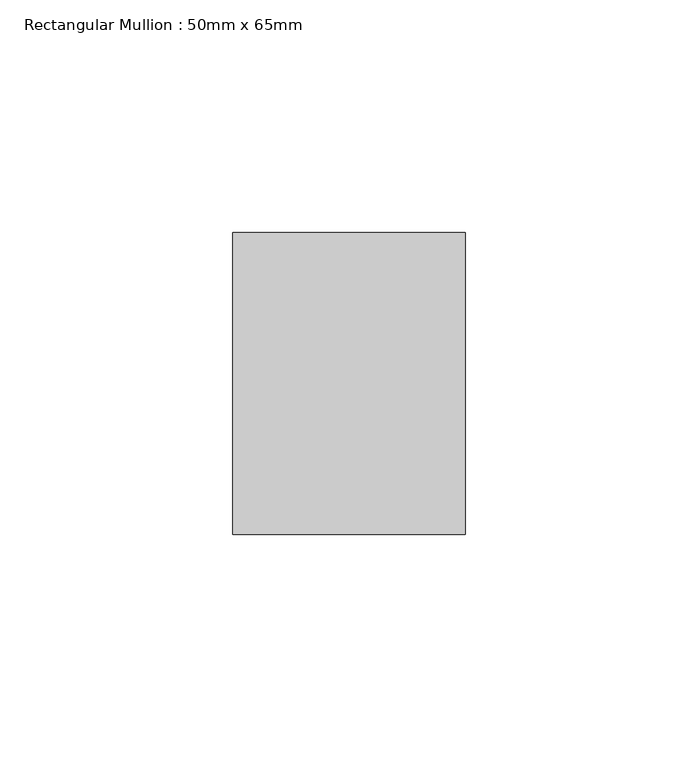
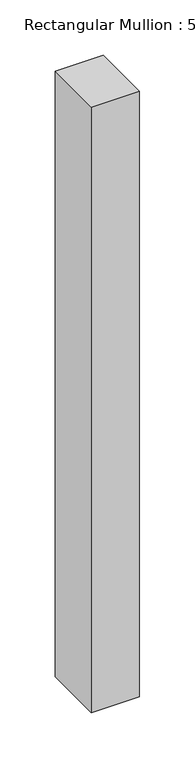
"""IFC4 building model written with IfcOpenShell, lengths in millimetres: member geometry, Rectangular Mullion : 50mm x 65mm."""

from ifc_helpers import new_model, si_unit, frame, origin, place, context, project, spatial, polyline, outline, extrude, source, transform, mapped, element, save


def rectangular_mullion_50mm_x_65mm_32ff70e6(model_context):
    return source(origin(), model_context, "Body", "SweptSolid", [
        extrude(outline(polyline([(25.0, 32.5), (25.0, -32.5), (-25.0, -32.5), (-25.0, 32.5), (25.0, 32.5)])), frame((0.0, 0.0, -667.5404873), z_axis=(0.0, 0.0, 1.0), x_axis=(1.0, 0.0, 0.0)), (0.0, 0.0, 1.0), 667.5404873),
    ])


if __name__ == "__main__":
    model = new_model("IFC4")
    model_context = context("Model", 3, world=origin())
    ifc_project = project(units=[si_unit("LENGTHUNIT", "METRE", prefix="MILLI")], contexts=[model_context])
    site = spatial("IfcSite", under=ifc_project)
    building = spatial("IfcBuilding", under=site)
    placement = place(None, origin())
    rectangular_mullion_50mm_x_65mm_shape = rectangular_mullion_50mm_x_65mm_32ff70e6(model_context)
    element("IfcMember", 1, ObjectType="Rectangular Mullion : 50mm x 65mm", at=placement, inside=building, context=model_context, shape_type="MappedRepresentation", body=[
        mapped(rectangular_mullion_50mm_x_65mm_shape, transform((0.0, 0.0, 0.0), x_axis=(1.0, 0.0, 0.0), y_axis=(0.0, 1.0, 0.0), z_axis=(0.0, 0.0, 1.0))),
    ])
    save(model, "model.ifc")
